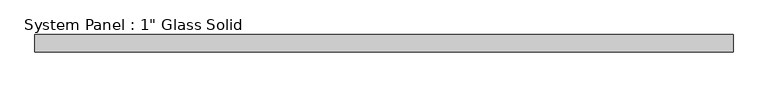
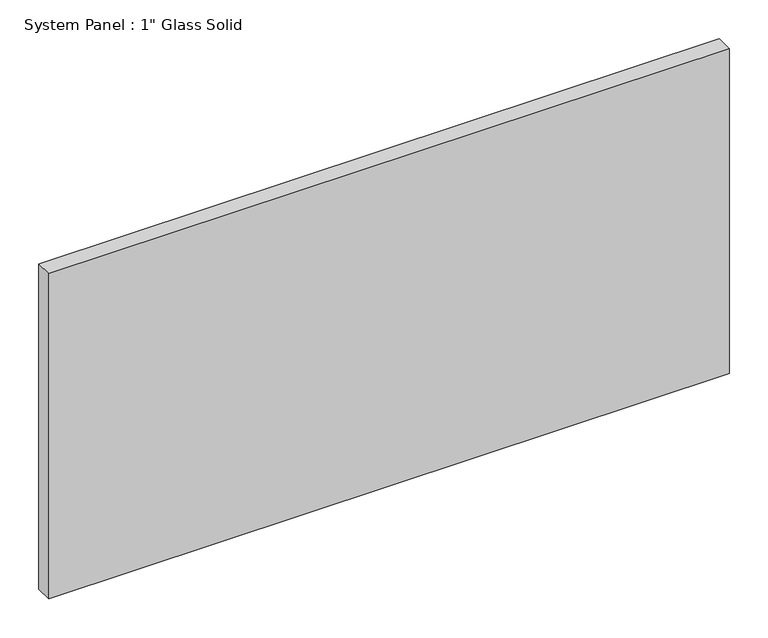
"""IFC4 building model written with IfcOpenShell, lengths in millimetres: plate geometry."""

from ifc_helpers import new_model, si_unit, origin, origin_with_axes, place, context, project, spatial, polyline, outline, extrude, source, transform, mapped, element, save


def plate_0abc3ff2(model_context):
    return source(origin(), model_context, "Body", "SweptSolid", [
        extrude(outline(polyline([(505.61875, -12.7), (-505.61875, -12.7), (-505.61875, 12.7), (505.61875, 12.7), (505.61875, -12.7)])), origin_with_axes(), (0.0, 0.0, 1.0), 511.175),
    ])


if __name__ == "__main__":
    model = new_model("IFC4")
    model_context = context("Model", 3, world=origin())
    ifc_project = project(units=[si_unit("LENGTHUNIT", "METRE", prefix="MILLI")], contexts=[model_context])
    site = spatial("IfcSite", under=ifc_project)
    building = spatial("IfcBuilding", under=site)
    placement = place(None, origin())
    plate_shape = plate_0abc3ff2(model_context)
    element("IfcPlate", 1, ObjectType="System Panel : 1\" Glass Solid", at=placement, inside=building, context=model_context, shape_type="MappedRepresentation", body=[
        mapped(plate_shape, transform((0.0, 0.0, 0.0), x_axis=(1.0, 0.0, 0.0), y_axis=(0.0, 1.0, 0.0), z_axis=(0.0, 0.0, 1.0))),
    ])
    save(model, "model.ifc")
